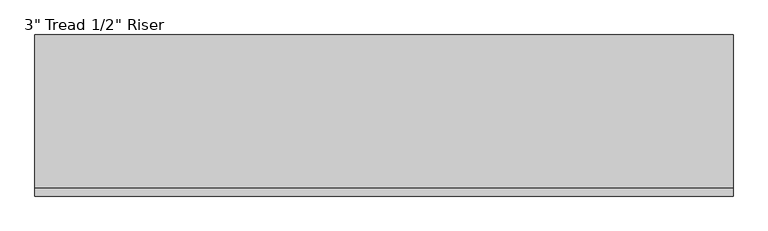
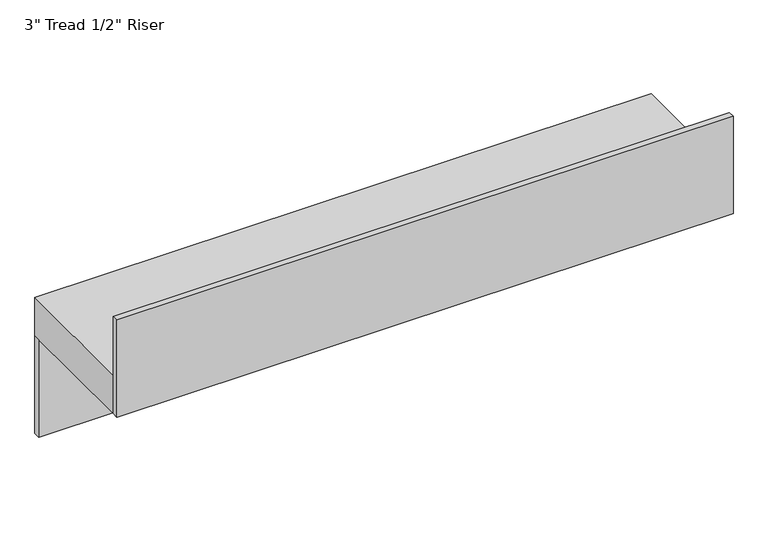
"""IFC4 building model written with IfcOpenShell, lengths in millimetres: stair flight geometry."""

from ifc_helpers import new_model, si_unit, frame, origin, place, context, project, spatial, polyline, outline, extrude, source, transform, mapped, element, save


def stair_flight_90674648(model_context):
    return source(origin(), model_context, "Body", "SweptSolid", [
        extrude(outline(polyline([(7418.103833, 5328.9809329), (7418.103833, 5341.6809329), (8573.803833, 5341.6809329), (8573.803833, 5328.9809329), (7418.103833, 5328.9809329)])), frame((0.0, 0.0, 1732.5578125), z_axis=(0.0, 0.0, 1.0), x_axis=(1.0, 0.0, 0.0)), (0.0, 0.0, 1.0), 193.0796875),
        extrude(outline(polyline([(7418.103833, 5074.9809329), (7418.103833, 5087.6809329), (8573.803833, 5087.6809329), (8573.803833, 5074.9809329), (7418.103833, 5074.9809329)])), frame((0.0, 0.0, 1925.6375), z_axis=(0.0, 0.0, 1.0), x_axis=(1.0, 0.0, 0.0)), (0.0, 0.0, 1.0), 193.0796875),
        extrude(outline(polyline([(8573.803833, 5087.6809329), (7418.103833, 5087.6809329), (7418.103833, 5341.6809329), (8573.803833, 5341.6809329), (8573.803833, 5087.6809329)])), frame((0.0, 0.0, 1925.6375), z_axis=(0.0, 0.0, 1.0), x_axis=(1.0, 0.0, 0.0)), (0.0, 0.0, 1.0), 76.2),
    ])


if __name__ == "__main__":
    model = new_model("IFC4")
    model_context = context("Model", 3, world=origin())
    ifc_project = project(units=[si_unit("LENGTHUNIT", "METRE", prefix="MILLI")], contexts=[model_context])
    site = spatial("IfcSite", under=ifc_project)
    building = spatial("IfcBuilding", under=site)
    placement = place(None, origin())
    stair_flight_shape = stair_flight_90674648(model_context)
    element("IfcStairFlight", 1, ObjectType="3\" Tread 1/2\" Riser", at=placement, inside=building, context=model_context, shape_type="MappedRepresentation", body=[
        mapped(stair_flight_shape, transform((0.0, 0.0, 0.0), x_axis=(1.0, 0.0, 0.0), y_axis=(0.0, 1.0, 0.0), z_axis=(0.0, 0.0, 1.0))),
    ])
    save(model, "model.ifc")
